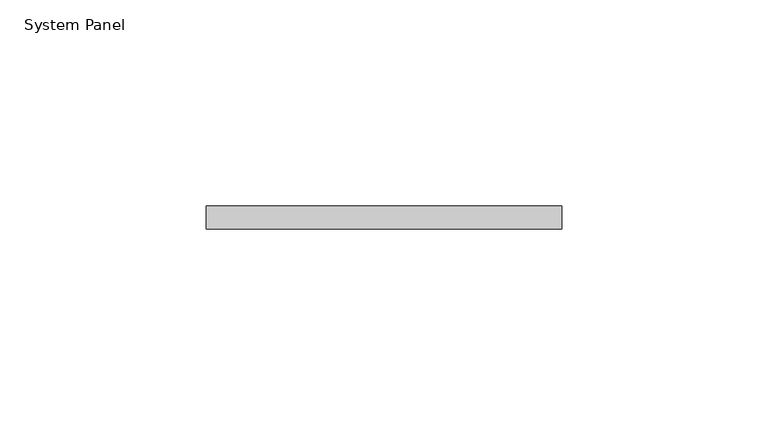
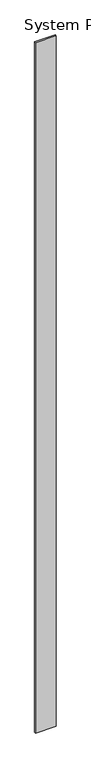
"""IFC4 building model written with IfcOpenShell, lengths in millimetres: plate geometry, System Panel."""

from ifc_helpers import new_model, si_unit, origin, origin_with_axes, place, context, project, spatial, polyline, outline, extrude, source, transform, mapped, element, save


def system_panel_c8fae5cf(model_context):
    return source(origin(), model_context, "Body", "SweptSolid", [
        extrude(outline(polyline([(43.1487522, 7.9375), (-43.1487522, 7.9375), (-43.1487522, 13.49375), (43.1487522, 13.49375), (43.1487522, 7.9375)])), origin_with_axes(), (0.0, 0.0, 1.0), 3048.0),
    ])


if __name__ == "__main__":
    model = new_model("IFC4")
    model_context = context("Model", 3, world=origin())
    ifc_project = project(units=[si_unit("LENGTHUNIT", "METRE", prefix="MILLI")], contexts=[model_context])
    site = spatial("IfcSite", under=ifc_project)
    building = spatial("IfcBuilding", under=site)
    placement = place(None, origin())
    system_panel_shape = system_panel_c8fae5cf(model_context)
    element("IfcPlate", 1, ObjectType="System Panel", at=placement, inside=building, context=model_context, shape_type="MappedRepresentation", body=[
        mapped(system_panel_shape, transform((0.0, 0.0, 0.0), x_axis=(1.0, 0.0, 0.0), y_axis=(0.0, 1.0, 0.0), z_axis=(0.0, 0.0, 1.0))),
    ])
    save(model, "model.ifc")
